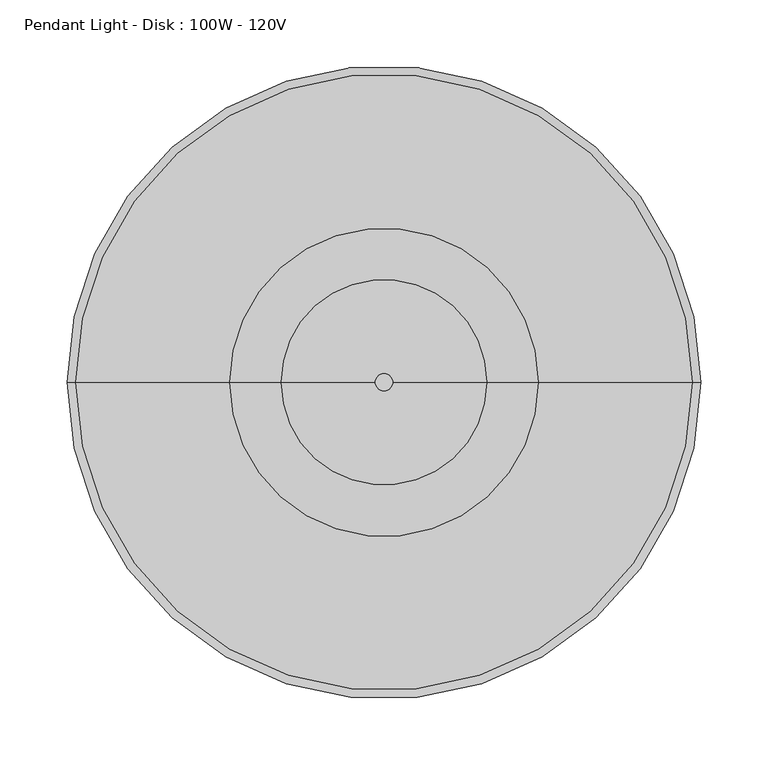
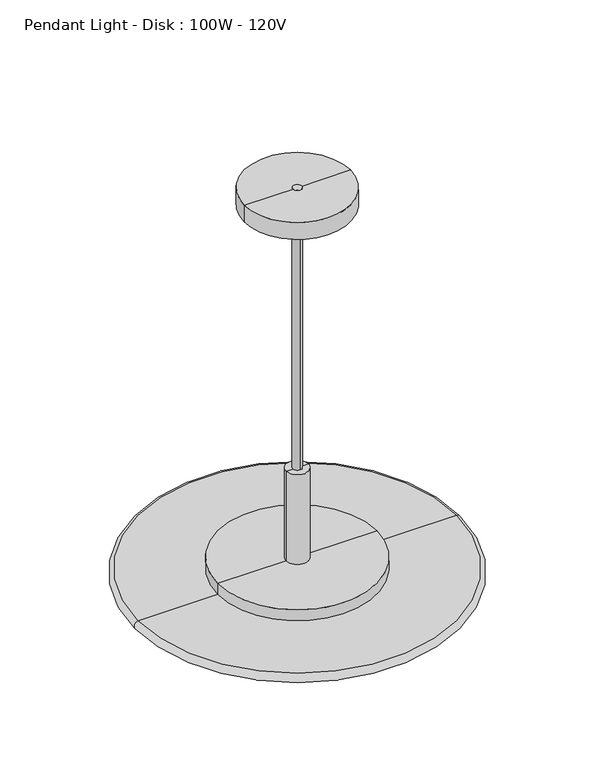
"""IFC4 building model written with IfcOpenShell, lengths in millimetres: light fixture geometry, Pendant Light - Disk : 100W - 120V."""

from ifc_helpers import new_model, si_unit, point, frame, origin, origin_2d, place, context, project, spatial, polyline, circle_curve, ellipse_curve, trimmed, segment, composite_curve, outline, extrude, source, transform, mapped, element, save
from ifc_brep_helpers import plane_surface, cylinder_surface, revolved_surface, advanced_brep


def pendant_light_disk_100w_120v_c68bffb6(model_context):
    return source(origin(), model_context, "Body", "SolidModel", [
        advanced_brep(
        [(15.875, 0.0, 1876.875253), (-15.875, 0.0, 1876.875253), (-15.875, 0.0, 2012.95), (15.875, 0.0, 2012.95), (114.3, 0.0, 1876.875253), (-114.3, 0.0, 1876.875253), (114.3, 0.0, 1841.5000062), (-114.3, 0.0, 1841.5000062), (38.1, 0.0, 1841.5000062), (-38.1, 0.0, 1841.5000062), (38.1, 0.0, 1860.55), (-38.1, 0.0, 1860.55), (0.0, 0.0, 1860.55), (0.0, 0.0, 2012.95)],
        [
            (0, 1, circle_curve(frame((0.0, 0.0, 1876.875253), z_axis=(0.0, 0.0, 1.0), x_axis=(-1.0, 0.0, 0.0)), 15.875)),
            (1, 2),
            (2, 3, circle_curve(frame((0.0, 0.0, 2012.95), z_axis=(0.0, 0.0, -1.0), x_axis=(-1.0, 0.0, 0.0)), 15.875)),
            (3, 0),
            (1, 0, circle_curve(frame((0.0, 0.0, 1876.875253), z_axis=(0.0, 0.0, 1.0), x_axis=(-1.0, 0.0, 0.0)), 15.875)),
            (3, 2, circle_curve(frame((0.0, 0.0, 2012.95), z_axis=(0.0, 0.0, -1.0), x_axis=(-1.0, 0.0, 0.0)), 15.875)),
            (4, 5, circle_curve(frame((0.0, 0.0, 1876.875253), z_axis=(0.0, 0.0, 1.0), x_axis=(-1.0, 0.0, 0.0)), 114.3)),
            (5, 1),
            (0, 4),
            (5, 4, circle_curve(frame((0.0, 0.0, 1876.875253), z_axis=(0.0, 0.0, 1.0), x_axis=(-1.0, 0.0, 0.0)), 114.3)),
            (6, 7, circle_curve(frame((0.0, 0.0, 1841.5000062), z_axis=(0.0, 0.0, 1.0), x_axis=(-1.0, 0.0, 0.0)), 114.3)),
            (7, 5),
            (4, 6),
            (7, 6, circle_curve(frame((0.0, 0.0, 1841.5000062), z_axis=(0.0, 0.0, 1.0), x_axis=(-1.0, 0.0, 0.0)), 114.3)),
            (8, 9, circle_curve(frame((0.0, 0.0, 1841.5000062), z_axis=(0.0, 0.0, 1.0), x_axis=(-1.0, 0.0, 0.0)), 38.1)),
            (9, 7),
            (6, 8),
            (9, 8, circle_curve(frame((0.0, 0.0, 1841.5000062), z_axis=(0.0, 0.0, 1.0), x_axis=(-1.0, 0.0, 0.0)), 38.1)),
            (10, 11, circle_curve(frame((0.0, 0.0, 1860.55), z_axis=(0.0, 0.0, 1.0), x_axis=(-1.0, 0.0, 0.0)), 38.1)),
            (11, 9),
            (8, 10),
            (11, 10, circle_curve(frame((0.0, 0.0, 1860.55), z_axis=(0.0, 0.0, 1.0), x_axis=(-1.0, 0.0, 0.0)), 38.1)),
            (12, 11),
            (10, 12),
            (2, 13),
            (13, 3),
        ],
        [
            cylinder_surface(frame((0.0, 0.0, 2037.0629221), z_axis=(0.0, 0.0, -1.0), x_axis=(-1.0, 0.0, 0.0)), 15.875),
            plane_surface(frame((0.0, 0.0, 1876.875253), z_axis=(0.0, 0.0, 1.0), x_axis=(-1.0, 0.0, 0.0))),
            cylinder_surface(frame((0.0, 0.0, 2037.0629221), z_axis=(0.0, 0.0, -1.0), x_axis=(-1.0, 0.0, 0.0)), 114.3),
            plane_surface(frame((0.0, 0.0, 1841.5000062), z_axis=(0.0, 0.0, -1.0), x_axis=(-1.0, 0.0, 0.0))),
            revolved_surface(polyline([(-38.1, 0.0, 1841.5000062), (-38.1, 0.0, 1860.55)]), (0.0, 0.0, 2037.0629221), (0.0, 0.0, -1.0)),
            plane_surface(frame((0.0, 0.0, 1860.55), z_axis=(0.0, 0.0, -1.0), x_axis=(-1.0, 0.0, 0.0))),
            plane_surface(frame((0.0, 0.0, 2012.95), z_axis=(0.0, 0.0, 1.0), x_axis=(-1.0, 0.0, 0.0))),
        ],
        [
            (0, [[1, 2, 3, 4]]),
            (0, [[5, -4, 6, -2]]),
            (1, [[7, 8, -1, 9]]),
            (1, [[10, -9, -5, -8]]),
            (2, [[11, 12, -7, 13]]),
            (2, [[14, -13, -10, -12]]),
            (3, [[15, 16, -11, 17]]),
            (3, [[18, -17, -14, -16]]),
            (4, [[19, 20, -15, 21]]),
            (4, [[22, -21, -18, -20]]),
            (5, [[23, -19, 24]]),
            (5, [[-24, -22, -23]]),
            (6, [[-3, 25, 26]]),
            (6, [[-6, -26, -25]]),
        ],
    ),
        extrude(outline(composite_curve([segment(trimmed(circle_curve(origin_2d(), 6.35), [point((0.0, 6.35))], [point((0.0, -6.35))], False, "CARTESIAN"), True, "CONTINUOUS"), segment(trimmed(circle_curve(origin_2d(), 6.35), [point((0.0, -6.35))], [point((0.0, 6.35))], False, "CARTESIAN"), True, "CONTINUOUS")], self_intersect=False)), frame((0.0, 0.0, 1841.5000062), z_axis=(0.0, 0.0, 1.0), x_axis=(1.0, 0.0, 0.0)), (0.0, 0.0, 1.0), 596.9),
        advanced_brep(
        [(0.0, 0.0, 1847.85), (-228.6, 0.0, 1847.85), (228.6, 0.0, 1847.85), (228.6, 0.0, 1860.55), (-228.6, 0.0, 1860.55), (0.0, 0.0, 1860.55)],
        [
            (0, 1),
            (1, 2, circle_curve(frame((0.0, 0.0, 1847.85), z_axis=(0.0, 0.0, -1.0), x_axis=(-1.0, 0.0, 0.0)), 228.6)),
            (2, 0),
            (2, 1, circle_curve(frame((0.0, 0.0, 1847.85), z_axis=(0.0, 0.0, -1.0), x_axis=(-1.0, 0.0, 0.0)), 228.6)),
            (3, 4, circle_curve(frame((0.0, 0.0, 1860.55), z_axis=(0.0, 0.0, 1.0), x_axis=(-1.0, 0.0, 0.0)), 228.6)),
            (4, 5),
            (5, 3),
            (4, 3, circle_curve(frame((0.0, 0.0, 1860.55), z_axis=(0.0, 0.0, 1.0), x_axis=(-1.0, 0.0, 0.0)), 228.6)),
            (1, 4, circle_curve(frame((-228.6, 0.0, 1854.2), z_axis=(0.0, 1.0, 0.0), x_axis=(0.0, 0.0, -1.0)), 6.35)),
            (3, 2, circle_curve(frame((228.6, 0.0, 1854.2), z_axis=(0.0, 1.0, 0.0), x_axis=(0.0, 0.0, -1.0)), 6.35)),
        ],
        [
            plane_surface(frame((0.0, 0.0, 1847.85), z_axis=(0.0, 0.0, -1.0), x_axis=(-1.0, 0.0, 0.0))),
            plane_surface(frame((0.0, 0.0, 1860.55), z_axis=(0.0, 0.0, 1.0), x_axis=(-1.0, 0.0, 0.0))),
            revolved_surface(trimmed(ellipse_curve(frame((-228.6, 0.0, 1854.2), z_axis=(0.0, -1.0, 0.0), x_axis=(0.0, 0.0, -1.0)), 6.35, 6.35), [point((-228.6, 0.0, 1860.55))], [point((-228.6, 0.0, 1847.85))], True, "CARTESIAN"), (0.0, 0.0, 1925.6510876), (0.0, 0.0, -1.0)),
        ],
        [
            (0, [[1, 2, 3]]),
            (0, [[-3, 4, -1]]),
            (1, [[5, 6, 7]]),
            (1, [[8, -7, -6]]),
            (2, [[-2, 9, -5, 10]]),
            (2, [[-4, -10, -8, -9]]),
        ],
    ),
        advanced_brep(
        [(76.2, 0.0, 2413.0000062), (-76.2, 0.0, 2413.0000062), (-76.2, 0.0, 2438.4000062), (76.2, 0.0, 2438.4000062), (0.0, 0.0, 2377.4673627), (0.0, 0.0, 2438.4000062)],
        [
            (0, 1, circle_curve(frame((0.0, 0.0, 2413.0000062), z_axis=(0.0, 0.0, 1.0), x_axis=(-1.0, 0.0, 0.0)), 76.2)),
            (1, 2),
            (2, 3, circle_curve(frame((0.0, 0.0, 2438.4000062), z_axis=(0.0, 0.0, -1.0), x_axis=(-1.0, 0.0, 0.0)), 76.2)),
            (3, 0),
            (1, 0, circle_curve(frame((0.0, 0.0, 2413.0000062), z_axis=(0.0, 0.0, 1.0), x_axis=(-1.0, 0.0, 0.0)), 76.2)),
            (3, 2, circle_curve(frame((0.0, 0.0, 2438.4000062), z_axis=(0.0, 0.0, -1.0), x_axis=(-1.0, 0.0, 0.0)), 76.2)),
            (4, 1),
            (0, 4),
            (2, 5),
            (5, 3),
        ],
        [
            cylinder_surface(frame((0.0, 0.0, 2514.6000062), z_axis=(0.0, 0.0, -1.0), x_axis=(-1.0, 0.0, 0.0)), 76.2),
            revolved_surface(polyline([(-76.2, 0.0, 2413.0000062), (0.0, 0.0, 2377.4673627)]), (0.0, 0.0, 2514.6000062), (0.0, 0.0, -1.0)),
            plane_surface(frame((0.0, 0.0, 2438.4000062), z_axis=(0.0, 0.0, 1.0), x_axis=(-1.0, 0.0, 0.0))),
        ],
        [
            (0, [[1, 2, 3, 4]]),
            (0, [[5, -4, 6, -2]]),
            (1, [[7, -1, 8]]),
            (1, [[-8, -5, -7]]),
            (2, [[-3, 9, 10]]),
            (2, [[-6, -10, -9]]),
        ],
    ),
    ])


if __name__ == "__main__":
    model = new_model("IFC4")
    model_context = context("Model", 3, world=origin())
    ifc_project = project(units=[si_unit("LENGTHUNIT", "METRE", prefix="MILLI")], contexts=[model_context])
    site = spatial("IfcSite", under=ifc_project)
    building = spatial("IfcBuilding", under=site)
    placement = place(None, origin())
    pendant_light_disk_100w_120v_shape = pendant_light_disk_100w_120v_c68bffb6(model_context)
    element("IfcLightFixture", 1, ObjectType="Pendant Light - Disk : 100W - 120V", at=placement, inside=building, context=model_context, shape_type="MappedRepresentation", body=[
        mapped(pendant_light_disk_100w_120v_shape, transform((0.0, 0.0, 0.0), x_axis=(1.0, 0.0, 0.0), y_axis=(0.0, 1.0, 0.0), z_axis=(0.0, 0.0, 1.0))),
    ])
    save(model, "model.ifc")
